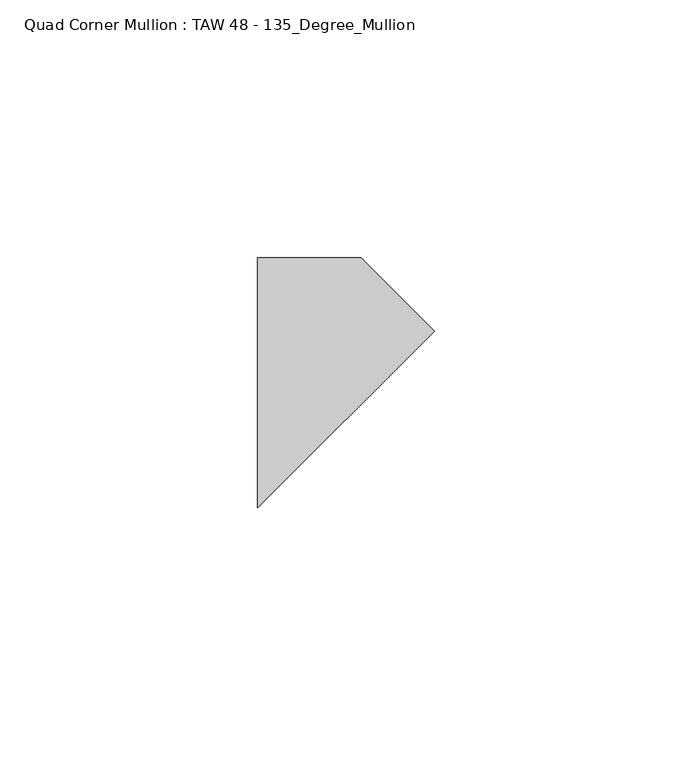
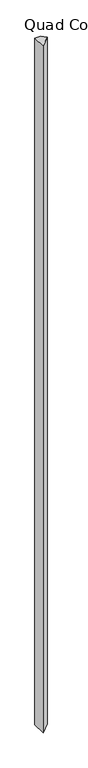
"""IFC4 building model written with IfcOpenShell, lengths in millimetres: member geometry, Quad Corner Mullion : TAW 48 - 135_Degree_Mullion."""

import ifcopenshell
import ifcopenshell.guid

model = None  # the IFC model being written
_history = None  # IfcOwnerHistory: only IFC2X3 demands one
_inside = {}  # id of a spatial element -> (the spatial element, [elements in it])
_under = {}  # id of a project, library or spatial element -> (it, [spatial elements below it])
_declared = {}  # id of a project -> (the project, [libraries it declares])
_typed = {}  # id of a type object -> (the type object, [elements of that type])
_made_of = {}  # id of a material, layer set ... -> (it, [elements and type objects made of it])


def new_model(schema):
    """Start an empty IFC model of exactly this schema.

    Asked for "IFC4X3", IfcOpenShell would pick the latest addendum, in which some entities
    have other attributes; the version numbers below select the first issue.
    IFC2X3 requires an IfcOwnerHistory on every rooted entity: one is made here for all.
    """
    global model, _history
    if schema == "IFC4X3":
        model = ifcopenshell.file(schema_version=(4, 3, 0, 0))
    else:
        model = ifcopenshell.file(schema=schema)
    _inside.clear()
    _under.clear()
    _declared.clear()
    _typed.clear()
    _made_of.clear()
    _history = None
    if model.schema == "IFC2X3":
        org = make("IfcOrganization", Name="unknown")
        user = make(
            "IfcPersonAndOrganization",
            ThePerson=make("IfcPerson", FamilyName="unknown"),
            TheOrganization=org,
        )
        app = make(
            "IfcApplication",
            ApplicationDeveloper=org,
            Version="unknown",
            ApplicationFullName="unknown",
            ApplicationIdentifier="unknown",
        )
        _history = make(
            "IfcOwnerHistory",
            OwningUser=user,
            OwningApplication=app,
            ChangeAction="ADDED",
            CreationDate=0,
        )
    return model


def make(cls, **values):
    """One entity of the class cls with the attributes given. An attribute that is None is left unset."""
    return model.create_entity(
        cls, **{name: value for name, value in values.items() if value is not None}
    )


def rooted(cls, **values):
    """An entity with a GlobalId (a new one), such as an element, a storey or a relation."""
    return make(cls, GlobalId=ifcopenshell.guid.new(), OwnerHistory=_history, **values)


def si_unit(unit_type, name, prefix=None):
    """IfcSIUnit, for example si_unit("LENGTHUNIT", "METRE", prefix="MILLI")."""
    return make("IfcSIUnit", UnitType=unit_type, Prefix=prefix, Name=name)


def assignment(units):
    """IfcUnitAssignment: the units of a project."""
    return None if units is None else make("IfcUnitAssignment", Units=units)


def point(xyz):
    """IfcCartesianPoint."""
    return None if xyz is None else make("IfcCartesianPoint", Coordinates=xyz)


def direction(xyz):
    """IfcDirection."""
    return None if xyz is None else make("IfcDirection", DirectionRatios=xyz)


def frame(location, z_axis=None, x_axis=None):
    """IfcAxis2Placement3D, a coordinate frame: its origin and axes. An axis left out is left unset."""
    return make(
        "IfcAxis2Placement3D",
        Location=point(location),
        Axis=direction(z_axis),
        RefDirection=direction(x_axis),
    )


def origin():
    """The frame at (0, 0, 0) with its axes left unset."""
    return frame((0.0, 0.0, 0.0))


def place(relative_to, where):
    """IfcLocalPlacement: puts the frame where relative to a parent placement (None: the world)."""
    return make(
        "IfcLocalPlacement", PlacementRelTo=relative_to, RelativePlacement=where
    )


def context(
    kind, dimensions, precision=None, world=None, true_north=None, identifier=None
):
    """IfcGeometricRepresentationContext, for example the 3D "Model" context."""
    return make(
        "IfcGeometricRepresentationContext",
        ContextIdentifier=identifier,
        ContextType=kind,
        CoordinateSpaceDimension=dimensions,
        Precision=precision,
        WorldCoordinateSystem=world,
        TrueNorth=true_north,
    )


def project(units=None, contexts=None):
    """IfcProject with its units and contexts."""
    return rooted(
        "IfcProject",
        Name="project",
        RepresentationContexts=contexts,
        UnitsInContext=assignment(units),
    )


def spatial(cls, under=None, at=None, **own):
    """A site, building, storey or space (cls), placed at a placement, below another one or the project."""
    s = rooted(cls, ObjectPlacement=at, **own)
    if under is not None:
        _under.setdefault(under.id(), (under, []))[1].append(s)
    return s


def polyline(points):
    """IfcPolyline through the points."""
    return make("IfcPolyline", Points=[point(p) for p in points])


def outline(outer, holes=None, kind="AREA"):
    """IfcArbitraryClosedProfileDef: a profile drawn as a closed curve; with holes, ...WithVoids."""
    if holes is None:
        return make("IfcArbitraryClosedProfileDef", ProfileType=kind, OuterCurve=outer)
    return make(
        "IfcArbitraryProfileDefWithVoids",
        ProfileType=kind,
        OuterCurve=outer,
        InnerCurves=holes,
    )


def extrude(swept, where, along, depth):
    """IfcExtrudedAreaSolid: the profile swept, set in the frame where, extruded along a direction by depth."""
    return make(
        "IfcExtrudedAreaSolid",
        SweptArea=swept,
        Position=where,
        ExtrudedDirection=direction(along),
        Depth=depth,
    )


def shape(context_of_items, identifier, shape_type, items):
    """IfcShapeRepresentation: the items that make up one representation, for example the "Body"."""
    return make(
        "IfcShapeRepresentation",
        ContextOfItems=context_of_items,
        RepresentationIdentifier=identifier,
        RepresentationType=shape_type,
        Items=items,
    )


def source(mapping_origin, context_of_items, identifier, shape_type, items):
    """IfcRepresentationMap: a shape defined once, which mapped items show again and again."""
    return make(
        "IfcRepresentationMap",
        MappingOrigin=mapping_origin,
        MappedRepresentation=shape(context_of_items, identifier, shape_type, items),
    )


def transform(
    local_origin,
    x_axis=None,
    y_axis=None,
    z_axis=None,
    scale=None,
    scale2=None,
    scale3=None,
    uniform=True,
):
    """IfcCartesianTransformationOperator3D, or its non-uniform kind. x_axis, y_axis, z_axis: its Axis1, 2, 3."""
    if uniform:
        return make(
            "IfcCartesianTransformationOperator3D",
            Axis1=direction(x_axis),
            Axis2=direction(y_axis),
            LocalOrigin=point(local_origin),
            Scale=scale,
            Axis3=direction(z_axis),
        )
    return make(
        "IfcCartesianTransformationOperator3DnonUniform",
        Axis1=direction(x_axis),
        Axis2=direction(y_axis),
        LocalOrigin=point(local_origin),
        Scale=scale,
        Axis3=direction(z_axis),
        Scale2=scale2,
        Scale3=scale3,
    )


def mapped(mapping_source, mapping_target):
    """IfcMappedItem: shows the shape of a source again, moved by a transform."""
    return make(
        "IfcMappedItem", MappingSource=mapping_source, MappingTarget=mapping_target
    )


def made_of(thing, what):
    """Note that an element or type object is made of a material, layer set ...; save() writes the relation."""
    if what is not None:
        _made_of.setdefault(what.id(), (what, []))[1].append(thing)
    return thing


def element(
    cls,
    number,
    at=None,
    inside=None,
    cuts=None,
    type_object=None,
    material=None,
    context=None,
    identifier="Body",
    shape_type=None,
    held_by="IfcProductDefinitionShape",
    body=None,
    shapes=None,
    **own,
):
    """One element of the class cls, such as IfcWall. Its Tag is "e" and its number.

    at: its placement. inside: the storey or other place that contains it. cuts: it is an
    opening in that element (IfcRelVoidsElement). A single representation is given by context,
    identifier, shape_type and body (its items); several are given by shapes. held_by: the class
    of the entity that holds the representations. save() writes the other relations.
    """
    e = rooted(cls, Tag="e%d" % number, ObjectPlacement=at, **own)
    if body is not None:
        shapes = [shape(context, identifier, shape_type, body)]
    if shapes is not None:
        e.Representation = make(held_by, Representations=shapes)
    if inside is not None:
        _inside.setdefault(inside.id(), (inside, []))[1].append(e)
    if cuts is not None:
        rooted(
            "IfcRelVoidsElement", RelatingBuildingElement=cuts, RelatedOpeningElement=e
        )
    if type_object is not None:
        _typed.setdefault(type_object.id(), (type_object, []))[1].append(e)
    return made_of(e, material)


def aggregate(whole, parts):
    """IfcRelAggregates: a whole, such as a stair, and the parts it consists of."""
    return rooted("IfcRelAggregates", RelatingObject=whole, RelatedObjects=parts)


def save(model, path):
    """Write the relations noted so far, then the file.

    IfcRelAggregates (storeys below a building ...), IfcRelContainedInSpatialStructure (elements
    in a storey), IfcRelDefinesByType, IfcRelAssociatesMaterial and IfcRelDeclares: one each for
    every whole, place, type object, material and project.
    """
    for whole, parts in _under.values():
        aggregate(whole, parts)
    for where, things in _inside.values():
        rooted(
            "IfcRelContainedInSpatialStructure",
            RelatedElements=things,
            RelatingStructure=where,
        )
    for kind, things in _typed.values():
        rooted("IfcRelDefinesByType", RelatedObjects=things, RelatingType=kind)
    for what, things in _made_of.values():
        rooted("IfcRelAssociatesMaterial", RelatedObjects=things, RelatingMaterial=what)
    for by, libraries in _declared.values():
        rooted("IfcRelDeclares", RelatingContext=by, RelatedDefinitions=libraries)
    model.write(path)


def quad_corner_mullion_taw_48_135_degree_mullion_3e325615(model_context):
    return source(origin(), model_context, "Body", "SweptSolid", [
        extrude(outline(polyline([(24.25, 10.0446789), (-10.0446789, -24.25), (-10.0446789, 24.25), (10.0446789, 24.25), (24.25, 10.0446789)])), frame((0.0, 0.0, -2500.0), z_axis=(0.0, 0.0, 1.0), x_axis=(1.0, 0.0, 0.0)), (0.0, 0.0, 1.0), 2500.0),
    ])


if __name__ == "__main__":
    model = new_model("IFC4")
    model_context = context("Model", 3, world=origin())
    ifc_project = project(units=[si_unit("LENGTHUNIT", "METRE", prefix="MILLI")], contexts=[model_context])
    site = spatial("IfcSite", under=ifc_project)
    building = spatial("IfcBuilding", under=site)
    placement = place(None, origin())
    quad_corner_mullion_taw_48_135_degree_mullion_shape = quad_corner_mullion_taw_48_135_degree_mullion_3e325615(model_context)
    element("IfcMember", 1, ObjectType="Quad Corner Mullion : TAW 48 - 135_Degree_Mullion", at=placement, inside=building, context=model_context, shape_type="MappedRepresentation", body=[
        mapped(quad_corner_mullion_taw_48_135_degree_mullion_shape, transform((0.0, 0.0, 0.0), x_axis=(1.0, 0.0, 0.0), y_axis=(0.0, 1.0, 0.0), z_axis=(0.0, 0.0, 1.0))),
    ])
    save(model, "model.ifc")
